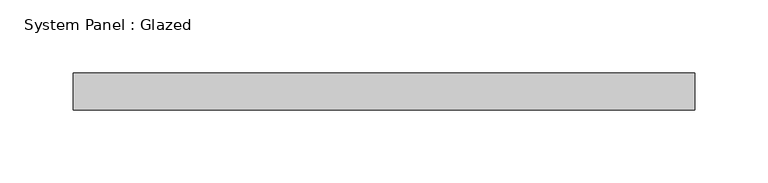
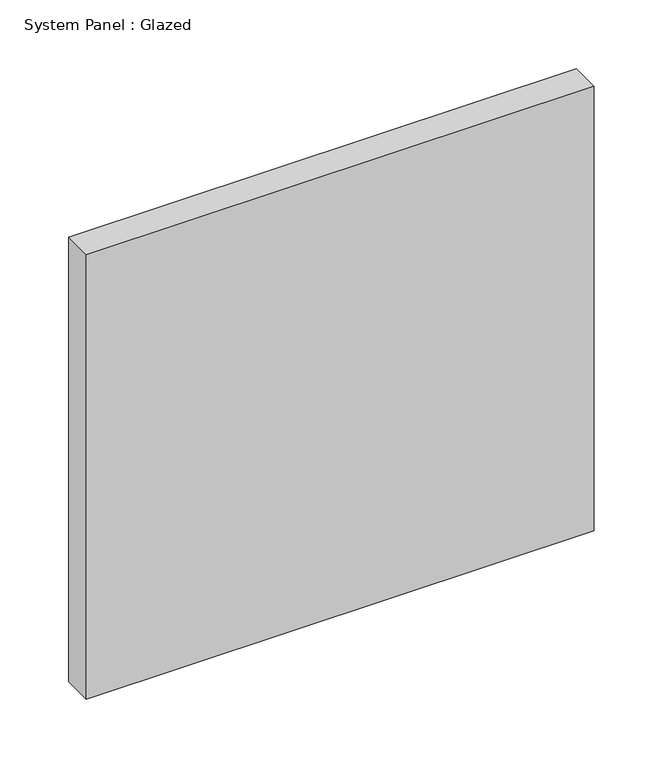
"""IFC4 building model written with IfcOpenShell, lengths in millimetres: plate geometry, System Panel : Glazed."""

from ifc_helpers import new_model, si_unit, origin, origin_with_axes, place, context, project, spatial, polyline, outline, extrude, source, transform, mapped, element, save


def system_panel_glazed_e2edaaac(model_context):
    return source(origin(), model_context, "Body", "SweptSolid", [
        extrude(outline(polyline([(212.725, 19.05), (-212.725, 19.05), (-212.725, 44.45), (212.725, 44.45), (212.725, 19.05)])), origin_with_axes(), (0.0, 0.0, 1.0), 393.7),
    ])


if __name__ == "__main__":
    model = new_model("IFC4")
    model_context = context("Model", 3, world=origin())
    ifc_project = project(units=[si_unit("LENGTHUNIT", "METRE", prefix="MILLI")], contexts=[model_context])
    site = spatial("IfcSite", under=ifc_project)
    building = spatial("IfcBuilding", under=site)
    placement = place(None, origin())
    system_panel_glazed_shape = system_panel_glazed_e2edaaac(model_context)
    element("IfcPlate", 1, ObjectType="System Panel : Glazed", at=placement, inside=building, context=model_context, shape_type="MappedRepresentation", body=[
        mapped(system_panel_glazed_shape, transform((0.0, 0.0, 0.0), x_axis=(1.0, 0.0, 0.0), y_axis=(0.0, 1.0, 0.0), z_axis=(0.0, 0.0, 1.0))),
    ])
    save(model, "model.ifc")
